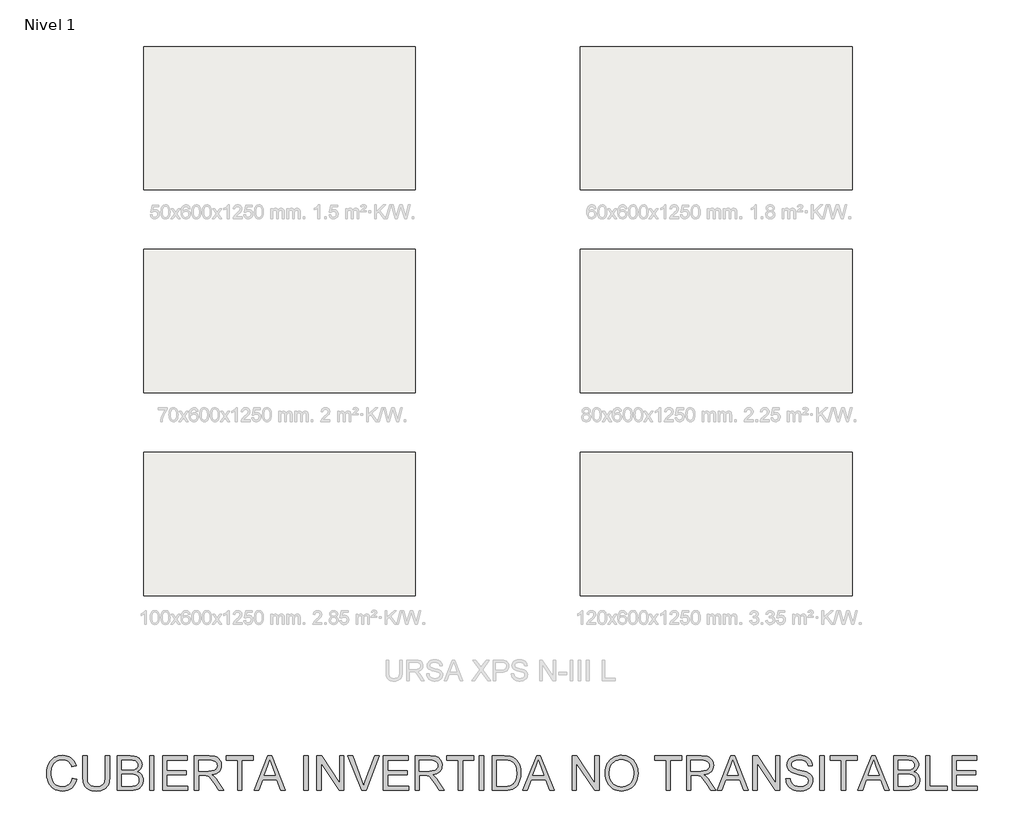
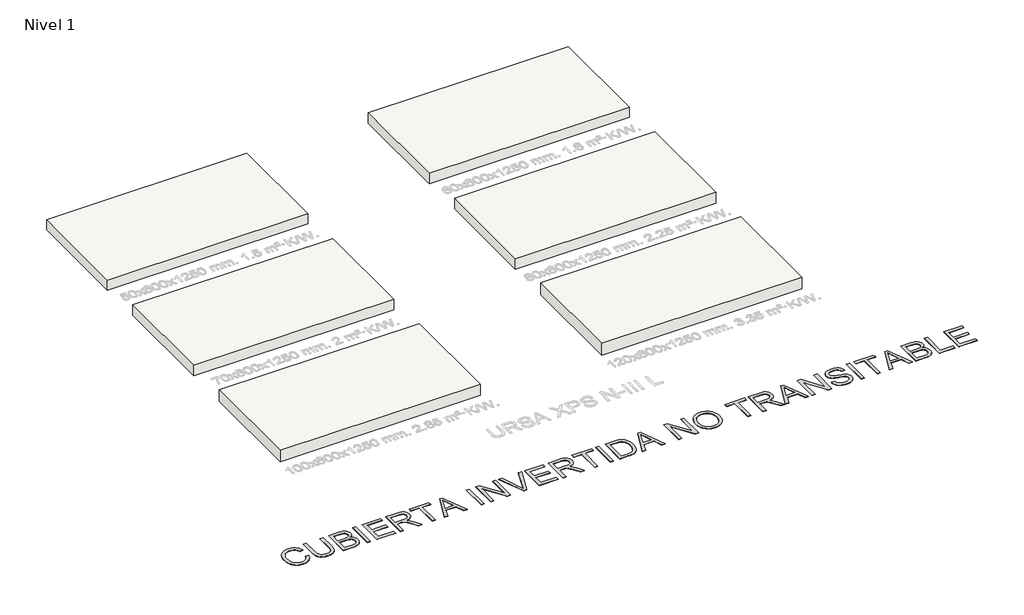
# One storey, part 1 of 7: 6 roofs, 1 proxy.
"""IFC4 building model written with IfcOpenShell, lengths in millimetres."""

from ifc_helpers import new_model, si_unit, origin, origin_with_axes, place, context, project, spatial, polyline, outline, extrude, element, save

model = new_model("IFC4")

# Units and contexts
model_context = context("Model", 3, world=origin())
ifc_project = project(units=[si_unit("LENGTHUNIT", "METRE", prefix="MILLI")], contexts=[model_context])

# Site, building, storey
site = spatial("IfcSite", under=ifc_project)
building = spatial("IfcBuilding", under=site)
storey = spatial("IfcBuildingStorey", under=building, Name="Nivel 1", Elevation=0.0)

# Proxy
placement = place(None, origin())
element("IfcBuildingElementProxy", 1, Name="Texto de modelo 2", ObjectType="Texto de modelo 2", at=placement, inside=storey, context=model_context, shape_type="SweptSolid", body=[
    extrude(outline(polyline([(-28092.6231498, -17259.2340137), (-27967.0527621, -17291.6076293), (-27991.9001252, -17369.698247), (-28024.9941763, -17437.9326929), (-28066.3349156, -17496.310967), (-28090.0977932, -17521.8040396), (-28115.9223428, -17544.8330693), (-28172.6374837, -17582.9778337), (-28235.3613639, -17610.2240939), (-28304.0939833, -17626.5718501), (-28378.835342, -17632.0211022), (-28455.4084465, -17627.8977581), (-28524.4859553, -17615.527726), (-28586.0678684, -17594.9110059), (-28640.1541859, -17566.0475977), (-28687.488336, -17529.3666971), (-28728.8137468, -17485.2974997), (-28764.1304183, -17433.8400057), (-28793.4383506, -17374.9942149), (-28816.4539679, -17311.3046444), (-28832.8936946, -17245.3158116), (-28842.7575306, -17177.0277162), (-28846.0454759, -17106.4403584), (-28842.3283349, -17030.7026526), (-28831.1769119, -16959.9620106), (-28812.591207, -16894.2184324), (-28786.57122, -16833.471918), (-28753.6994309, -16778.7264786), (-28714.5583195, -16730.9861255), (-28669.1478857, -16690.2508587), (-28617.4681296, -16656.5206783), (-28561.2741548, -16630.0714957), (-28502.3210651, -16611.1792224), (-28440.6088604, -16599.8438584), (-28376.1375407, -16596.0654037), (-28304.3162454, -16600.9551686), (-28238.457704, -16615.6244631), (-28178.5619167, -16640.0732874), (-28124.6288834, -16674.3016414), (-28077.5476522, -16717.4051485), (-28038.2072713, -16768.4794321), (-28006.6077408, -16827.5244924), (-27982.7490606, -16894.5403292), (-28108.3194482, -16924.4613981), (-28128.0931055, -16875.0809045), (-28151.852151, -16832.8894381), (-28179.5965848, -16797.8869991), (-28211.3264069, -16770.0735875), (-28247.2255583, -16748.8820517), (-28287.4779799, -16733.7452404), (-28332.0836718, -16724.6631537), (-28381.042634, -16721.6357914), (-28437.3745645, -16724.9927146), (-28488.8933723, -16735.0634842), (-28535.5990572, -16751.8481003), (-28577.4916194, -16775.3465627), (-28614.0422285, -16804.5012108), (-28644.7220541, -16838.2543839), (-28669.5310961, -16876.6060819), (-28688.4693546, -16919.5563048), (-28702.4718631, -16965.1583438), (-28712.4736548, -17011.46549), (-28718.4747299, -17058.4777433), (-28720.4750882, -17106.1951037), (-28718.1068479, -17166.1598689), (-28711.0021268, -17222.2005595), (-28699.1609251, -17274.3171755), (-28682.5832427, -17322.5097169), (-28661.0008323, -17365.8201576), (-28634.1454467, -17403.2904717), (-28602.0170858, -17434.920659), (-28564.6157496, -17460.7107197), (-28523.7578555, -17480.7219674), (-28481.2598209, -17495.0157158), (-28437.1216456, -17503.5919648), (-28391.3433299, -17506.4507145), (-28336.7511746, -17502.5572967), (-28286.5276181, -17490.8770433), (-28240.6726602, -17471.4099544), (-28199.1863011, -17444.15603), (-28163.0495592, -17409.2378972), (-28133.2434534, -17366.7781836), (-28109.7679836, -17316.7768891), (-28092.6231498, -17259.2340137)])), origin_with_axes(), (0.0, 0.0, 1.0), 10.0),
    extrude(outline(polyline([(-27135.1489437, -16611.7617022), (-27009.578556, -16611.7617022), (-27009.578556, -17191.2984719), (-27011.7092059, -17263.0584536), (-27018.1011555, -17327.0162713), (-27028.754405, -17383.171925), (-27043.6689542, -17431.5254148), (-27064.1323902, -17473.9084863), (-27091.4322999, -17512.1528854), (-27125.5686834, -17546.258612), (-27166.5415406, -17576.2256662), (-27214.3968568, -17600.6361694), (-27269.1806173, -17618.0722432), (-27330.8928219, -17628.5338874), (-27399.5334709, -17632.0211022), (-27466.4803298, -17628.9860757), (-27527.035239, -17619.8809963), (-27581.1981986, -17604.705864), (-27628.9692085, -17583.4606788), (-27670.355933, -17556.4596732), (-27705.3660362, -17524.0170797), (-27733.9995182, -17486.1328984), (-27756.2563789, -17442.8071293), (-27772.9413602, -17392.5529159), (-27784.859204, -17333.8834019), (-27792.0099103, -17266.7985872), (-27794.393479, -17191.2984719), (-27794.393479, -16611.7617022), (-27668.8230913, -16611.7617022), (-27668.8230913, -17186.883888), (-27667.2749213, -17247.5920814), (-27662.6304111, -17299.73169), (-27654.8895608, -17343.3027138), (-27644.0523703, -17378.3051528), (-27629.4443894, -17407.2681957), (-27610.3911678, -17432.7210313), (-27586.8927053, -17454.6636594), (-27558.9490021, -17473.0960802), (-27527.0965527, -17487.6887327), (-27491.8718517, -17498.1120559), (-27453.274899, -17504.3660498), (-27411.3056947, -17506.4507145), (-27342.0978944, -17502.3273704), (-27283.5893287, -17489.9573384), (-27235.7799978, -17469.3406182), (-27215.8875453, -17455.9397501), (-27198.6699015, -17440.47721), (-27183.782177, -17422.0831102), (-27170.8794825, -17399.8875632), (-27151.0291831, -17344.0921273), (-27139.1190035, -17273.0909022), (-27135.1489437, -17186.883888), (-27135.1489437, -16611.7617022)])), origin_with_axes(), (0.0, 0.0, 1.0), 10.0),
    extrude(outline(polyline([(-26789.8303775, -17616.3248037), (-26789.8303775, -16611.7617022), (-26406.4973386, -16611.7617022), (-26350.8935078, -16613.6087764), (-26301.0684901, -16619.1499989), (-26257.0222854, -16628.3853699), (-26218.7548937, -16641.3148891), (-26185.2929605, -16658.0765125), (-26155.6631315, -16678.8081958), (-26129.8654066, -16703.509939), (-26107.8997858, -16732.181742), (-26090.3564132, -16763.2064569), (-26077.8254327, -16794.9669358), (-26070.3068444, -16827.4631787), (-26067.8006483, -16860.6951856), (-26069.9083056, -16891.3903396), (-26076.2312774, -16921.181117), (-26086.7695637, -16950.0675178), (-26101.5231646, -16978.0495421), (-26120.5380652, -17004.25347), (-26143.8602508, -17027.8055819), (-26171.4897215, -17048.7058778), (-26203.4264772, -17066.9543576), (-26165.5269675, -17083.1105085), (-26132.271968, -17104.1104391), (-26103.6614787, -17129.9541492), (-26079.6954995, -17160.641639), (-26060.757241, -17195.237875), (-26047.2299134, -17232.8078237), (-26039.1135169, -17273.3514853), (-26036.4080514, -17316.8688596), (-26038.2551256, -17352.5304205), (-26043.7963482, -17386.9197229), (-26053.0317191, -17420.0367666), (-26065.9612384, -17451.8815519), (-26081.6192158, -17481.296783), (-26099.0399611, -17507.1251648), (-26118.2234743, -17529.3666971), (-26139.1697554, -17548.0213799), (-26162.3693137, -17563.8556341), (-26188.3126586, -17577.6358805), (-26248.430708, -17599.0343499), (-26321.4859408, -17612.0021903), (-26409.4403945, -17616.3248037), (-26789.8303775, -17616.3248037)]), holes=[polyline([(-26664.2599898, -17019.8654622), (-26434.9468795, -17019.8654622), (-26354.7486046, -17017.1676609), (-26301.0378333, -17009.074257), (-26275.9528797, -17000.9272036), (-26254.1635357, -16990.4655594), (-26235.6698013, -16977.6893243), (-26220.4716763, -16962.5984983), (-26208.6151462, -16945.3003803), (-26200.1461961, -16925.9022692), (-26195.064826, -16904.4041652), (-26193.371036, -16880.806068), (-26194.9498629, -16858.2119821), (-26199.6863436, -16837.0281106), (-26207.5804781, -16817.2544533), (-26218.6322664, -16798.8910104), (-26232.6271106, -16782.6198963), (-26249.350413, -16769.1232256), (-26268.8021735, -16758.4009983), (-26290.9823921, -16750.4532144), (-26354.8712319, -16740.612371), (-26452.3599606, -16737.3320899), (-26664.2599898, -16737.3320899), (-26664.2599898, -17019.8654622)]), polyline([(-26664.2599898, -17490.754416), (-26406.7425932, -17490.754416), (-26350.3340206, -17489.5281427), (-26313.5458211, -17485.8493227), (-26270.2890298, -17474.966147), (-26234.6964468, -17458.5034278), (-26205.7563965, -17434.9283232), (-26182.4572035, -17402.7079918), (-26167.0981302, -17363.2833047), (-26161.9784391, -17318.0951329), (-26163.4806239, -17290.933179), (-26167.9871784, -17265.610635), (-26175.4981024, -17242.1275009), (-26186.0133961, -17220.4837769), (-26199.8932772, -17201.3002637), (-26217.4979635, -17185.1977622), (-26238.8274551, -17172.1762724), (-26263.8817518, -17162.2357943), (-26293.7644997, -17154.8858186), (-26329.5793447, -17149.635836), (-26419.0053264, -17145.4358499), (-26664.2599898, -17145.4358499), (-26664.2599898, -17490.754416)])]), origin_with_axes(), (0.0, 0.0, 1.0), 10.0),
    extrude(outline(polyline([(-25848.0524699, -17616.3248037), (-25848.0524699, -16611.7617022), (-25722.4820822, -16611.7617022), (-25722.4820822, -17616.3248037), (-25848.0524699, -17616.3248037)])), origin_with_axes(), (0.0, 0.0, 1.0), 10.0),
    extrude(outline(polyline([(-25471.3413068, -17616.3248037), (-25471.3413068, -16611.7617022), (-24749.3115776, -16611.7617022), (-24749.3115776, -16737.3320899), (-25345.7709191, -16737.3320899), (-25345.7709191, -17035.5617606), (-24780.7041745, -17035.5617606), (-24780.7041745, -17161.1321483), (-25345.7709191, -17161.1321483), (-25345.7709191, -17490.754416), (-24733.6152792, -17490.754416), (-24733.6152792, -17616.3248037), (-25471.3413068, -17616.3248037)])), origin_with_axes(), (0.0, 0.0, 1.0), 10.0),
    extrude(outline(polyline([(-24545.2596976, -17616.3248037), (-24545.2596976, -16611.7617022), (-24112.3852166, -16611.7617022), (-24050.2514805, -16613.4554922), (-23996.0425357, -16618.5368623), (-23949.7583821, -16627.0058124), (-23911.3990199, -16638.8623425), (-23878.7341645, -16655.0184935), (-23849.5335311, -16676.386306), (-23823.7971198, -16702.9657802), (-23801.5249307, -16734.7569159), (-23783.5523624, -16770.0505948), (-23770.7148136, -16807.1376985), (-23763.0122843, -16846.0182268), (-23760.4447746, -16886.6921799), (-23764.6984102, -16938.2876298), (-23777.4593169, -16985.6524366), (-23798.7274947, -17028.7866006), (-23828.5029437, -17067.6901216), (-23867.1688742, -17101.1213979), (-23915.1084967, -17127.8388278), (-23972.3218112, -17147.8424113), (-24038.8088176, -17161.1321483), (-23997.4220931, -17188.171475), (-23967.4397105, -17214.8429196), (-23915.9975449, -17275.8500172), (-23865.6590252, -17344.0921273), (-23698.1500901, -17616.3248037), (-23844.0766148, -17616.3248037), (-23974.7973504, -17408.1035944), (-24027.0979074, -17328.6410835), (-24069.2203959, -17270.2704736), (-24104.3224696, -17230.0793656), (-24135.5617823, -17205.1553604), (-24165.1456261, -17190.5320511), (-24195.2812929, -17181.2430307), (-24268.1219279, -17176.8284468), (-24419.6893099, -17176.8284468), (-24419.6893099, -17616.3248037), (-24545.2596976, -17616.3248037)]), holes=[polyline([(-24419.6893099, -17051.2580591), (-24138.6274656, -17051.2580591), (-24057.9080245, -17046.8128183), (-23995.2761148, -17033.477096), (-23970.0915266, -17023.2530422), (-23948.1259058, -17010.361844), (-23929.3792525, -16994.8035013), (-23913.8515666, -16976.5780141), (-23901.6731397, -16956.5820948), (-23892.9742633, -16935.7124558), (-23887.7549375, -16913.969097), (-23886.0151623, -16891.3520185), (-23889.3337644, -16859.238986), (-23899.2895709, -16830.0996663), (-23915.8825818, -16803.9340594), (-23939.1127969, -16780.7421653), (-23969.516711, -16761.7502573), (-24007.6308185, -16748.1846087), (-24053.4551195, -16740.0452196), (-24106.989614, -16737.3320899), (-24419.6893099, -16737.3320899), (-24419.6893099, -17051.2580591)])]), origin_with_axes(), (0.0, 0.0, 1.0), 10.0),
    extrude(outline(polyline([(-23289.5558208, -17616.3248037), (-23289.5558208, -16737.3320899), (-23619.1780884, -16737.3320899), (-23619.1780884, -16611.7617022), (-22834.3631654, -16611.7617022), (-22834.3631654, -16737.3320899), (-23163.9854331, -16737.3320899), (-23163.9854331, -17616.3248037), (-23289.5558208, -17616.3248037)])), origin_with_axes(), (0.0, 0.0, 1.0), 10.0),
    extrude(outline(polyline([(-22810.0829537, -17616.3248037), (-22409.091579, -16611.7617022), (-22302.1605457, -16611.7617022), (-21901.169171, -17616.3248037), (-22033.8519439, -17616.3248037), (-22148.876381, -17302.3988345), (-22562.6209983, -17302.3988345), (-22677.4001808, -17616.3248037), (-22810.0829537, -17616.3248037)]), holes=[polyline([(-22516.5131216, -17176.8284468), (-22194.7390031, -17176.8284468), (-22285.2379739, -16929.8570007), (-22355.6260623, -16737.3320899), (-22418.1660015, -16908.2745903), (-22516.5131216, -17176.8284468)])]), origin_with_axes(), (0.0, 0.0, 1.0), 10.0),
    extrude(outline(polyline([(-21358.9111101, -17616.3248037), (-21358.9111101, -16611.7617022), (-21233.3407224, -16611.7617022), (-21233.3407224, -17616.3248037), (-21358.9111101, -17616.3248037)])), origin_with_axes(), (0.0, 0.0, 1.0), 10.0),
    extrude(outline(polyline([(-20982.199947, -17616.3248037), (-20982.199947, -16611.7617022), (-20847.8003914, -16611.7617022), (-20322.9554117, -17407.6130851), (-20322.9554117, -16611.7617022), (-20197.385024, -16611.7617022), (-20197.385024, -17616.3248037), (-20331.7845795, -17616.3248037), (-20856.6295593, -16820.2281661), (-20856.6295593, -17616.3248037), (-20982.199947, -17616.3248037)])), origin_with_axes(), (0.0, 0.0, 1.0), 10.0),
    extrude(outline(polyline([(-19680.8787027, -17616.3248037), (-20080.6438042, -16611.7617022), (-19946.2442486, -16611.7617022), (-19678.6714108, -17335.508214), (-19648.9342828, -17419.8145046), (-19624.4701301, -17498.6025652), (-19599.5767818, -17416.994076), (-19571.0046135, -17335.508214), (-19302.6960117, -16611.7617022), (-19168.2964561, -16611.7617022), (-19551.1389858, -17616.3248037), (-19680.8787027, -17616.3248037)])), origin_with_axes(), (0.0, 0.0, 1.0), 10.0),
    extrude(outline(polyline([(-19051.5552363, -17616.3248037), (-19051.5552363, -16611.7617022), (-18329.5255071, -16611.7617022), (-18329.5255071, -16737.3320899), (-18925.9848486, -16737.3320899), (-18925.9848486, -17035.5617606), (-18360.918104, -17035.5617606), (-18360.918104, -17161.1321483), (-18925.9848486, -17161.1321483), (-18925.9848486, -17490.754416), (-18313.8292087, -17490.754416), (-18313.8292087, -17616.3248037), (-19051.5552363, -17616.3248037)])), origin_with_axes(), (0.0, 0.0, 1.0), 10.0),
    extrude(outline(polyline([(-18125.4736271, -17616.3248037), (-18125.4736271, -16611.7617022), (-17692.5991461, -16611.7617022), (-17630.46541, -16613.4554922), (-17576.2564652, -16618.5368623), (-17529.9723116, -16627.0058124), (-17491.6129494, -16638.8623425), (-17458.948094, -16655.0184935), (-17429.7474606, -16676.386306), (-17404.0110493, -16702.9657802), (-17381.7388602, -16734.7569159), (-17363.7662919, -16770.0505948), (-17350.9287431, -16807.1376985), (-17343.2262138, -16846.0182268), (-17340.6587041, -16886.6921799), (-17344.9123397, -16938.2876298), (-17357.6732464, -16985.6524366), (-17378.9414242, -17028.7866006), (-17408.7168732, -17067.6901216), (-17447.3828037, -17101.1213979), (-17495.3224262, -17127.8388278), (-17552.5357407, -17147.8424113), (-17619.0227471, -17161.1321483), (-17577.6360226, -17188.171475), (-17547.65364, -17214.8429196), (-17496.2114744, -17275.8500172), (-17445.8729547, -17344.0921273), (-17278.3640196, -17616.3248037), (-17424.2905443, -17616.3248037), (-17555.0112799, -17408.1035944), (-17607.3118369, -17328.6410835), (-17649.4343254, -17270.2704736), (-17684.5363991, -17230.0793656), (-17715.7757118, -17205.1553604), (-17745.3595556, -17190.5320511), (-17775.4952224, -17181.2430307), (-17848.3358574, -17176.8284468), (-17999.9032394, -17176.8284468), (-17999.9032394, -17616.3248037), (-18125.4736271, -17616.3248037)]), holes=[polyline([(-17999.9032394, -17051.2580591), (-17718.8413951, -17051.2580591), (-17638.121954, -17046.8128183), (-17575.4900443, -17033.477096), (-17550.3054561, -17023.2530422), (-17528.3398353, -17010.361844), (-17509.593182, -16994.8035013), (-17494.0654961, -16976.5780141), (-17481.8870692, -16956.5820948), (-17473.1881929, -16935.7124558), (-17467.968867, -16913.969097), (-17466.2290918, -16891.3520185), (-17469.5476939, -16859.238986), (-17479.5035004, -16830.0996663), (-17496.0965113, -16803.9340594), (-17519.3267264, -16780.7421653), (-17549.7306405, -16761.7502573), (-17587.844748, -16748.1846087), (-17633.669049, -16740.0452196), (-17687.2035435, -16737.3320899), (-17999.9032394, -16737.3320899), (-17999.9032394, -17051.2580591)])]), origin_with_axes(), (0.0, 0.0, 1.0), 10.0),
    extrude(outline(polyline([(-16869.7697503, -17616.3248037), (-16869.7697503, -16737.3320899), (-17199.3920179, -16737.3320899), (-17199.3920179, -16611.7617022), (-16414.5770949, -16611.7617022), (-16414.5770949, -16737.3320899), (-16744.1993626, -16737.3320899), (-16744.1993626, -17616.3248037), (-16869.7697503, -17616.3248037)])), origin_with_axes(), (0.0, 0.0, 1.0), 10.0),
    extrude(outline(polyline([(-16257.6141103, -17616.3248037), (-16257.6141103, -16611.7617022), (-16132.0437226, -16611.7617022), (-16132.0437226, -17616.3248037), (-16257.6141103, -17616.3248037)])), origin_with_axes(), (0.0, 0.0, 1.0), 10.0),
    extrude(outline(polyline([(-15880.9029472, -17616.3248037), (-15880.9029472, -16611.7617022), (-15534.3581078, -16611.7617022), (-15430.7993261, -16615.3792085), (-15355.0769488, -16626.2317273), (-15313.4756265, -16638.1725638), (-15275.0013012, -16654.1294453), (-15239.6539728, -16674.102372), (-15207.4336414, -16698.0913437), (-15170.2009178, -16734.0211519), (-15137.965258, -16774.6107987), (-15110.7266619, -16819.8602841), (-15088.4851296, -16869.7696081), (-15071.2100043, -16923.8789183), (-15058.870629, -16981.728362), (-15051.4670039, -17043.3179394), (-15048.9991288, -17108.6476504), (-15050.6699262, -17164.174839), (-15055.6823184, -17216.4677318), (-15064.0363054, -17265.5263287), (-15075.7318871, -17311.3506297), (-15106.2660927, -17392.1313845), (-15124.384281, -17426.7965983), (-15144.4031929, -17457.6450364), (-15188.3037776, -17509.3631136), (-15236.128437, -17548.7571439), (-15291.0348248, -17577.9731057), (-15356.1805948, -17599.1569773), (-15431.6883743, -17612.0328471), (-15517.6807907, -17616.3248037), (-15880.9029472, -17616.3248037)]), holes=[polyline([(-15755.3325595, -17490.754416), (-15533.1318345, -17490.754416), (-15441.2226493, -17486.2172047), (-15403.5913869, -17480.5456906), (-15371.5090112, -17472.6055709), (-15318.9018859, -17450.7165922), (-15297.1048777, -17436.9670026), (-15278.3122391, -17421.3473463), (-15255.1433376, -17396.1704222), (-15234.6875659, -17366.9927815), (-15216.9449238, -17333.814424), (-15201.9154115, -17296.6353499), (-15189.9515824, -17255.378917), (-15181.4059902, -17209.9684832), (-15176.2786349, -17160.4040485), (-15174.5695165, -17106.685613), (-15177.9187755, -17033.7836643), (-15187.9665525, -16969.8335108), (-15204.7128475, -16914.8351526), (-15228.1576605, -16868.7885895), (-15256.4002678, -16830.6514893), (-15287.5399458, -16799.3815197), (-15321.5766946, -16774.9786807), (-15358.5105141, -16757.4429723), (-15390.4242772, -16748.6444612), (-15430.7380125, -16742.3598105), (-15536.5653997, -16737.3320899), (-15755.3325595, -16737.3320899), (-15755.3325595, -17490.754416)])]), origin_with_axes(), (0.0, 0.0, 1.0), 10.0),
    extrude(outline(polyline([(-14993.3263202, -17616.3248037), (-14592.3349455, -16611.7617022), (-14485.4039122, -16611.7617022), (-14084.4125374, -17616.3248037), (-14217.0953104, -17616.3248037), (-14332.1197475, -17302.3988345), (-14745.8643648, -17302.3988345), (-14860.6435473, -17616.3248037), (-14993.3263202, -17616.3248037)]), holes=[polyline([(-14699.756488, -17176.8284468), (-14377.9823696, -17176.8284468), (-14468.4813404, -16929.8570007), (-14538.8694288, -16737.3320899), (-14601.409368, -16908.2745903), (-14699.756488, -17176.8284468)])]), origin_with_axes(), (0.0, 0.0, 1.0), 10.0),
    extrude(outline(polyline([(-13557.850775, -17616.3248037), (-13557.850775, -16611.7617022), (-13423.4512194, -16611.7617022), (-12898.6062397, -17407.6130851), (-12898.6062397, -16611.7617022), (-12773.035852, -16611.7617022), (-12773.035852, -17616.3248037), (-12907.4354075, -17616.3248037), (-13432.2803873, -16820.2281661), (-13432.2803873, -17616.3248037), (-13557.850775, -17616.3248037)])), origin_with_axes(), (0.0, 0.0, 1.0), 10.0),
    extrude(outline(polyline([(-12600.3765689, -17127.2870048), (-12598.2842401, -17066.6822782), (-12592.0072535, -17009.4574674), (-12581.5456093, -16955.6125725), (-12566.8993073, -16905.1475934), (-12548.0683477, -16858.0625301), (-12525.0527304, -16814.3573826), (-12497.8524554, -16774.032151), (-12466.4675227, -16737.0868352), (-12431.7754841, -16704.0349372), (-12394.6538915, -16675.3899589), (-12355.1027449, -16651.1519004), (-12313.1220443, -16631.3207616), (-12268.7117897, -16615.8965425), (-12221.8719811, -16604.8792432), (-12172.6026185, -16598.2688636), (-12120.9037019, -16596.0654037), (-12053.3207137, -16600.2040762), (-11989.1406339, -16612.6200935), (-11928.3634626, -16633.3134557), (-11870.9891998, -16662.2841629), (-11818.6273292, -16698.6584951), (-11772.8873344, -16741.5627328), (-11733.7692156, -16790.9968759), (-11701.2729727, -16846.9609244), (-11675.7358309, -16908.1826198), (-11657.4950153, -16973.3897035), (-11646.5505259, -17042.5821754), (-11642.9023628, -17115.7600356), (-11646.7421311, -17189.903586), (-11658.2614361, -17260.0310914), (-11677.4602777, -17326.1425516), (-11704.338656, -17388.2379667), (-11738.2604416, -17444.6771961), (-11778.5895053, -17493.8200993), (-11825.3258471, -17535.6666763), (-11878.469467, -17570.216927), (-11935.9280362, -17597.2562536), (-11995.6092257, -17616.5700584), (-12057.5130356, -17628.1583412), (-12121.6394658, -17632.0211022), (-12190.4027421, -17627.7521382), (-12255.4258848, -17614.9452462), (-12316.7088938, -17593.6004263), (-12374.2517692, -17563.7176784), (-12426.5523262, -17526.454298), (-12472.1083799, -17482.9675804), (-12510.9199304, -17433.2575258), (-12542.9869777, -17377.3241342), (-12568.0949238, -17317.4130184), (-12586.0291711, -17255.7697916), (-12596.7897195, -17192.3944537), (-12600.3765689, -17127.2870048)]), holes=[polyline([(-12474.8061812, -17128.5132781), (-12473.2369346, -17171.3063848), (-12468.5291947, -17211.7619079), (-12460.6829615, -17249.8798476), (-12449.698235, -17285.6602037), (-12435.5750153, -17319.1029763), (-12418.3133023, -17350.2081654), (-12397.9130961, -17378.975771), (-12374.3743965, -17405.4057931), (-12348.4674567, -17429.0881966), (-12320.9625294, -17449.6129462), (-12291.8596146, -17466.9800421), (-12261.1587125, -17481.1894841), (-12228.859823, -17492.2412724), (-12194.962946, -17500.1354069), (-12159.4680816, -17504.8718876), (-12122.3752298, -17506.4507145), (-12084.6040956, -17504.8565592), (-12048.5459119, -17500.0740932), (-12014.2006788, -17492.1033167), (-11981.5683962, -17480.9442295), (-11950.6490641, -17466.5968317), (-11921.4426826, -17449.0611232), (-11893.9492516, -17428.3371042), (-11868.1687712, -17404.4247745), (-11844.8025163, -17377.5808851), (-11824.5517621, -17348.0621871), (-11807.4165086, -17315.8686804), (-11793.3967557, -17281.0003651), (-11782.4925034, -17243.4572411), (-11774.7037518, -17203.2393084), (-11770.0305008, -17160.346567), (-11768.4727505, -17114.7790169), (-11771.1398949, -17057.3127836), (-11779.1413283, -17003.6173407), (-11792.4770507, -16953.6926883), (-11811.1470619, -16907.5388263), (-11834.9444285, -16865.7612272), (-11863.6622167, -16828.9653635), (-11897.3004267, -16797.1512351), (-11935.8590583, -16770.3188421), (-11978.1424951, -16749.0200074), (-12022.9551206, -16733.8065541), (-12070.2969349, -16724.6784821), (-12120.1679379, -16721.6357914), (-12190.2341295, -16727.4989107), (-12255.2419438, -16745.0882686), (-12285.8489593, -16758.280287), (-12315.1913806, -16774.4038651), (-12370.0824399, -16815.4457002), (-12394.6270668, -16840.8582986), (-12415.8990767, -16870.1911396), (-12433.8984698, -16903.4442231), (-12448.6252459, -16940.6175491), (-12460.0794051, -16981.7111175), (-12468.2609474, -17026.7249285), (-12473.1698728, -17075.6589821), (-12474.8061812, -17128.5132781)])]), origin_with_axes(), (0.0, 0.0, 1.0), 10.0),
    extrude(outline(polyline([(-10826.6948428, -17616.3248037), (-10826.6948428, -16737.3320899), (-11156.3171105, -16737.3320899), (-11156.3171105, -16611.7617022), (-10371.5021875, -16611.7617022), (-10371.5021875, -16737.3320899), (-10701.1244551, -16737.3320899), (-10701.1244551, -17616.3248037), (-10826.6948428, -17616.3248037)])), origin_with_axes(), (0.0, 0.0, 1.0), 10.0),
    extrude(outline(polyline([(-10230.2355013, -17616.3248037), (-10230.2355013, -16611.7617022), (-9797.3610203, -16611.7617022), (-9735.2272842, -16613.4554922), (-9681.0183393, -16618.5368623), (-9634.7341858, -16627.0058124), (-9596.3748236, -16638.8623425), (-9563.7099681, -16655.0184935), (-9534.5093348, -16676.386306), (-9508.7729235, -16702.9657802), (-9486.5007344, -16734.7569159), (-9468.5281661, -16770.0505948), (-9455.6906173, -16807.1376985), (-9447.988088, -16846.0182268), (-9445.4205783, -16886.6921799), (-9449.6742138, -16938.2876298), (-9462.4351205, -16985.6524366), (-9483.7032984, -17028.7866006), (-9513.4787474, -17067.6901216), (-9552.1446779, -17101.1213979), (-9600.0843004, -17127.8388278), (-9657.2976149, -17147.8424113), (-9723.7846213, -17161.1321483), (-9682.3978968, -17188.171475), (-9652.4155142, -17214.8429196), (-9600.9733486, -17275.8500172), (-9550.6348289, -17344.0921273), (-9383.1258938, -17616.3248037), (-9529.0524185, -17616.3248037), (-9659.7731541, -17408.1035944), (-9712.0737111, -17328.6410835), (-9754.1961996, -17270.2704736), (-9789.2982733, -17230.0793656), (-9820.537586, -17205.1553604), (-9850.1214298, -17190.5320511), (-9880.2570966, -17181.2430307), (-9953.0977316, -17176.8284468), (-10104.6651136, -17176.8284468), (-10104.6651136, -17616.3248037), (-10230.2355013, -17616.3248037)]), holes=[polyline([(-10104.6651136, -17051.2580591), (-9823.6032693, -17051.2580591), (-9742.8838282, -17046.8128183), (-9680.2519185, -17033.477096), (-9655.0673303, -17023.2530422), (-9633.1017095, -17010.361844), (-9614.3550561, -16994.8035013), (-9598.8273703, -16976.5780141), (-9586.6489434, -16956.5820948), (-9577.950067, -16935.7124558), (-9572.7307412, -16913.969097), (-9570.990966, -16891.3520185), (-9574.3095681, -16859.238986), (-9584.2653746, -16830.0996663), (-9600.8583854, -16803.9340594), (-9624.0886006, -16780.7421653), (-9654.4925147, -16761.7502573), (-9692.6066222, -16748.1846087), (-9738.4309232, -16740.0452196), (-9791.9654177, -16737.3320899), (-10104.6651136, -16737.3320899), (-10104.6651136, -17051.2580591)])]), origin_with_axes(), (0.0, 0.0, 1.0), 10.0),
    extrude(outline(polyline([(-9342.6588743, -17616.3248037), (-8941.6674995, -16611.7617022), (-8834.7364663, -16611.7617022), (-8433.7450915, -17616.3248037), (-8566.4278645, -17616.3248037), (-8681.4523016, -17302.3988345), (-9095.1969189, -17302.3988345), (-9209.9761014, -17616.3248037), (-9342.6588743, -17616.3248037)]), holes=[polyline([(-9049.0890421, -17176.8284468), (-8727.3149237, -17176.8284468), (-8817.8138945, -16929.8570007), (-8888.2019829, -16737.3320899), (-8950.7419221, -16908.2745903), (-9049.0890421, -17176.8284468)])]), origin_with_axes(), (0.0, 0.0, 1.0), 10.0),
    extrude(outline(polyline([(-8299.5907906, -17616.3248037), (-8299.5907906, -16611.7617022), (-8165.1912351, -16611.7617022), (-7640.3462553, -17407.6130851), (-7640.3462553, -16611.7617022), (-7514.7758676, -16611.7617022), (-7514.7758676, -17616.3248037), (-7649.1754232, -17616.3248037), (-8174.0204029, -16820.2281661), (-8174.0204029, -17616.3248037), (-8299.5907906, -17616.3248037)])), origin_with_axes(), (0.0, 0.0, 1.0), 10.0),
    extrude(outline(polyline([(-7342.1165845, -17271.0062376), (-7216.5461968, -17271.0062376), (-7210.7980406, -17307.5568466), (-7202.1374853, -17340.6892188), (-7190.5645309, -17370.4033541), (-7176.0791774, -17396.6992526), (-7157.9456607, -17420.1057445), (-7135.4282169, -17441.1516603), (-7108.526846, -17459.837), (-7077.241548, -17476.1617635), (-7042.7219541, -17489.4131796), (-7006.1176956, -17498.8784767), (-6967.4287724, -17504.557655), (-6926.6551846, -17506.4507145), (-6856.6962919, -17500.7178867), (-6824.9817982, -17493.551852), (-6795.4439397, -17483.5194034), (-6768.8108161, -17470.9807588), (-6745.8105272, -17456.2961358), (-6726.443073, -17439.4655345), (-6710.7084535, -17420.4889549), (-6698.5300266, -17400.1864673), (-6689.8311502, -17379.378142), (-6684.6118244, -17358.0639789), (-6682.8720492, -17336.243978), (-6688.0837108, -17294.2134601), (-6703.7186955, -17257.8851131), (-6716.8704769, -17241.7672831), (-6735.4791745, -17226.891055), (-6759.5447883, -17213.2564285), (-6789.0673184, -17200.8634038), (-6855.3780481, -17181.1510602), (-6971.90467, -17152.9161171), (-7091.926171, -17121.186295), (-7135.727121, -17105.8961996), (-7168.7215375, -17090.9893146), (-7202.2524485, -17070.9857311), (-7231.2308198, -17048.7441988), (-7255.6566514, -17024.2647177), (-7275.5299434, -16997.5472878), (-7290.9273377, -16968.8678206), (-7301.9254765, -16938.5022276), (-7308.5243598, -16906.4505088), (-7310.7239876, -16872.7126641), (-7308.0031937, -16835.3189921), (-7299.8408119, -16799.1669219), (-7286.2368423, -16764.2564534), (-7267.1912848, -16730.5875866), (-7242.9187374, -16699.5322149), (-7213.6337977, -16672.4622314), (-7179.3364659, -16649.3776362), (-7140.0267418, -16630.2784293), (-7097.0305336, -16615.3102306), (-7051.6737493, -16604.6186601), (-7003.9563889, -16598.2037178), (-6953.8784523, -16596.0654037), (-6899.247976, -16598.3033525), (-6847.9284377, -16605.017199), (-6799.9198373, -16616.206943), (-6755.2221749, -16631.8725846), (-6714.6631849, -16651.8761681), (-6679.0706019, -16676.0797377), (-6648.4444258, -16704.4832934), (-6622.7846566, -16737.0868352), (-6602.2905638, -16772.9400013), (-6587.1614167, -16811.0924299), (-6577.3972155, -16851.544121), (-6572.9979599, -16894.2950745), (-6698.5683476, -16894.2950745), (-6706.9683198, -16854.2265939), (-6721.622286, -16819.3697748), (-6742.530246, -16789.7246174), (-6769.6922, -16765.2911215), (-6803.6139857, -16746.1919146), (-6844.8014407, -16732.5496239), (-6893.2545651, -16724.3642496), (-6948.973359, -16721.6357914), (-7006.4702492, -16724.3335927), (-7055.5978239, -16732.4269966), (-7096.3560833, -16745.9160031), (-7128.7450273, -16764.8006122), (-7153.4237778, -16787.501997), (-7171.0514568, -16812.4413306), (-7181.6280641, -16839.618613), (-7185.1535999, -16869.0338442), (-7182.655068, -16894.3410597), (-7175.1594724, -16917.2876992), (-7162.6668129, -16937.8737625), (-7145.1770898, -16956.0992497), (-7117.6472538, -16973.3590466), (-7074.298492, -16990.8027846), (-7015.1308045, -17008.4304635), (-6940.1441911, -17026.2420834), (-6801.6979336, -17059.903286), (-6752.9842261, -17075.1244035), (-6717.943466, -17089.2725319), (-6679.4461481, -17110.7169866), (-6646.3597611, -17134.8285857), (-6618.6843052, -17161.6073292), (-6596.4197803, -17191.0532173), (-6579.3056033, -17223.0129656), (-6567.0811912, -17257.3332901), (-6559.7465439, -17294.0141907), (-6557.3016615, -17333.0556674), (-6560.1144259, -17372.3347346), (-6568.5527192, -17410.4641706), (-6582.6165413, -17447.4439753), (-6602.3058922, -17483.2741488), (-6627.2758826, -17516.5674693), (-6657.1816232, -17545.9367153), (-6692.0231138, -17571.3818866), (-6731.8003545, -17592.9029833), (-6775.3560499, -17610.0171603), (-6821.5329045, -17622.2415725), (-6870.3309183, -17629.5762197), (-6921.7500914, -17632.0211022), (-6985.9838206, -17629.3846145), (-7044.7759619, -17621.4751516), (-7098.1265154, -17608.2927135), (-7146.0354811, -17589.8373), (-7188.7940988, -17566.0782545), (-7226.6936085, -17536.9849201), (-7259.7340102, -17502.5572967), (-7287.9153039, -17462.7953844), (-7310.6166887, -17418.9867701), (-7327.2173637, -17372.4190409), (-7337.717329, -17323.0921967), (-7342.1165845, -17271.0062376)])), origin_with_axes(), (0.0, 0.0, 1.0), 10.0),
    extrude(outline(polyline([(-6353.2497815, -17616.3248037), (-6353.2497815, -16611.7617022), (-6227.6793938, -16611.7617022), (-6227.6793938, -17616.3248037), (-6353.2497815, -17616.3248037)])), origin_with_axes(), (0.0, 0.0, 1.0), 10.0),
    extrude(outline(polyline([(-5725.397843, -17616.3248037), (-5725.397843, -16737.3320899), (-6055.0201107, -16737.3320899), (-6055.0201107, -16611.7617022), (-5270.2051877, -16611.7617022), (-5270.2051877, -16737.3320899), (-5599.8274554, -16737.3320899), (-5599.8274554, -17616.3248037), (-5725.397843, -17616.3248037)])), origin_with_axes(), (0.0, 0.0, 1.0), 10.0),
    extrude(outline(polyline([(-5245.924976, -17616.3248037), (-4844.9336013, -16611.7617022), (-4738.002568, -16611.7617022), (-4337.0111932, -17616.3248037), (-4469.6939662, -17616.3248037), (-4584.7184033, -17302.3988345), (-4998.4630206, -17302.3988345), (-5113.2422031, -17616.3248037), (-5245.924976, -17616.3248037)]), holes=[polyline([(-4952.3551438, -17176.8284468), (-4630.5810254, -17176.8284468), (-4721.0799962, -16929.8570007), (-4791.4680846, -16737.3320899), (-4854.0080238, -16908.2745903), (-4952.3551438, -17176.8284468)])]), origin_with_axes(), (0.0, 0.0, 1.0), 10.0),
    extrude(outline(polyline([(-4202.8568923, -17616.3248037), (-4202.8568923, -16611.7617022), (-3819.5238534, -16611.7617022), (-3763.9200226, -16613.6087764), (-3714.0950049, -16619.1499989), (-3670.0488002, -16628.3853699), (-3631.7814085, -16641.3148891), (-3598.3194753, -16658.0765125), (-3568.6896463, -16678.8081958), (-3542.8919214, -16703.509939), (-3520.9263006, -16732.181742), (-3503.382928, -16763.2064569), (-3490.8519475, -16794.9669358), (-3483.3333592, -16827.4631787), (-3480.8271631, -16860.6951856), (-3482.9348204, -16891.3903396), (-3489.2577922, -16921.181117), (-3499.7960785, -16950.0675178), (-3514.5496794, -16978.0495421), (-3533.56458, -17004.25347), (-3556.8867656, -17027.8055819), (-3584.5162363, -17048.7058778), (-3616.452992, -17066.9543576), (-3578.5534823, -17083.1105085), (-3545.2984828, -17104.1104391), (-3516.6879935, -17129.9541492), (-3492.7220143, -17160.641639), (-3473.7837558, -17195.237875), (-3460.2564282, -17232.8078237), (-3452.1400317, -17273.3514853), (-3449.4345662, -17316.8688596), (-3451.2816404, -17352.5304205), (-3456.8228629, -17386.9197229), (-3466.0582339, -17420.0367666), (-3478.9877532, -17451.8815519), (-3494.6457306, -17481.296783), (-3512.0664759, -17507.1251648), (-3531.2499891, -17529.3666971), (-3552.1962702, -17548.0213799), (-3575.3958285, -17563.8556341), (-3601.3391734, -17577.6358805), (-3661.4572228, -17599.0343499), (-3734.5124556, -17612.0021903), (-3822.4669093, -17616.3248037), (-4202.8568923, -17616.3248037)]), holes=[polyline([(-4077.2865046, -17019.8654622), (-3847.9733943, -17019.8654622), (-3767.7751194, -17017.1676609), (-3714.0643481, -17009.074257), (-3688.9793945, -17000.9272036), (-3667.1900505, -16990.4655594), (-3648.6963161, -16977.6893243), (-3633.4981911, -16962.5984983), (-3621.641661, -16945.3003803), (-3613.1727109, -16925.9022692), (-3608.0913408, -16904.4041652), (-3606.3975508, -16880.806068), (-3607.9763777, -16858.2119821), (-3612.7128584, -16837.0281106), (-3620.6069929, -16817.2544533), (-3631.6587812, -16798.8910104), (-3645.6536254, -16782.6198963), (-3662.3769278, -16769.1232256), (-3681.8286882, -16758.4009983), (-3704.0089069, -16750.4532144), (-3767.8977467, -16740.612371), (-3865.3864754, -16737.3320899), (-4077.2865046, -16737.3320899), (-4077.2865046, -17019.8654622)]), polyline([(-4077.2865046, -17490.754416), (-3819.769108, -17490.754416), (-3763.3605354, -17489.5281427), (-3726.5723359, -17485.8493227), (-3683.3155446, -17474.966147), (-3647.7229616, -17458.5034278), (-3618.7829113, -17434.9283232), (-3595.4837183, -17402.7079918), (-3580.124645, -17363.2833047), (-3575.0049539, -17318.0951329), (-3576.5071387, -17290.933179), (-3581.0136932, -17265.610635), (-3588.5246172, -17242.1275009), (-3599.0399109, -17220.4837769), (-3612.919792, -17201.3002637), (-3630.5244783, -17185.1977622), (-3651.8539699, -17172.1762724), (-3676.9082666, -17162.2357943), (-3706.7910145, -17154.8858186), (-3742.6058595, -17149.635836), (-3832.0318412, -17145.4358499), (-4077.2865046, -17145.4358499), (-4077.2865046, -17490.754416)])]), origin_with_axes(), (0.0, 0.0, 1.0), 10.0),
    extrude(outline(polyline([(-3276.7752831, -17616.3248037), (-3276.7752831, -16611.7617022), (-3151.2048955, -16611.7617022), (-3151.2048955, -17490.754416), (-2648.9233447, -17490.754416), (-2648.9233447, -17616.3248037), (-3276.7752831, -17616.3248037)])), origin_with_axes(), (0.0, 0.0, 1.0), 10.0),
    extrude(outline(polyline([(-2507.6566586, -17616.3248037), (-2507.6566586, -16611.7617022), (-1785.6269294, -16611.7617022), (-1785.6269294, -16737.3320899), (-2382.0862709, -16737.3320899), (-2382.0862709, -17035.5617606), (-1817.0195263, -17035.5617606), (-1817.0195263, -17161.1321483), (-2382.0862709, -17161.1321483), (-2382.0862709, -17490.754416), (-1769.9306309, -17490.754416), (-1769.9306309, -17616.3248037), (-2507.6566586, -17616.3248037)])), origin_with_axes(), (0.0, 0.0, 1.0), 10.0),
])

# Roofs
element("IfcRoof", 2, at=placement, inside=storey, context=model_context, shape_type="SweptSolid", body=[
    extrude(outline(polyline([(-18117.4596431, -7778.5622442), (-18117.4596431, -11945.3771288), (-26017.4596431, -11945.3771288), (-26017.4596431, -7778.5622442), (-18117.4596431, -7778.5622442)])), origin_with_axes(), (0.0, 0.0, 1.0), 470.0),
])
element("IfcRoof", 3, at=placement, inside=storey, context=model_context, shape_type="SweptSolid", body=[
    extrude(outline(polyline([(-5417.4596431, -7778.5622442), (-5417.4596431, -11945.3771288), (-13317.4596431, -11945.3771288), (-13317.4596431, -7778.5622442), (-5417.4596431, -7778.5622442)])), origin_with_axes(), (0.0, 0.0, 1.0), 490.0),
])
element("IfcRoof", 4, at=placement, inside=storey, context=model_context, shape_type="SweptSolid", body=[
    extrude(outline(polyline([(-18117.4596431, -1878.5622442), (-18117.4596431, -6045.3771288), (-26017.4596431, -6045.3771288), (-26017.4596431, -1878.5622442), (-18117.4596431, -1878.5622442)])), origin_with_axes(), (0.0, 0.0, 1.0), 440.0),
])
element("IfcRoof", 5, at=placement, inside=storey, context=model_context, shape_type="SweptSolid", body=[
    extrude(outline(polyline([(-5417.4596431, -1878.5622442), (-5417.4596431, -6045.3771288), (-13317.4596431, -6045.3771288), (-13317.4596431, -1878.5622442), (-5417.4596431, -1878.5622442)])), origin_with_axes(), (0.0, 0.0, 1.0), 450.0),
])
element("IfcRoof", 6, at=placement, inside=storey, context=model_context, shape_type="SweptSolid", body=[
    extrude(outline(polyline([(-18117.4596431, 4021.4377558), (-18117.4596431, -145.3771288), (-26017.4596431, -145.3771288), (-26017.4596431, 4021.4377558), (-18117.4596431, 4021.4377558)])), origin_with_axes(), (0.0, 0.0, 1.0), 420.0),
])
element("IfcRoof", 7, at=placement, inside=storey, context=model_context, shape_type="SweptSolid", body=[
    extrude(outline(polyline([(-5417.4596431, 4021.4377558), (-5417.4596431, -145.3771288), (-13317.4596431, -145.3771288), (-13317.4596431, 4021.4377558), (-5417.4596431, 4021.4377558)])), origin_with_axes(), (0.0, 0.0, 1.0), 430.0),
])

save(model, "model.ifc")
